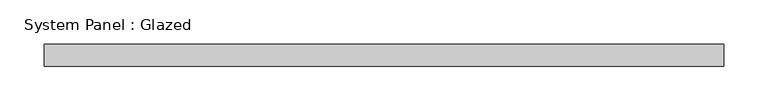
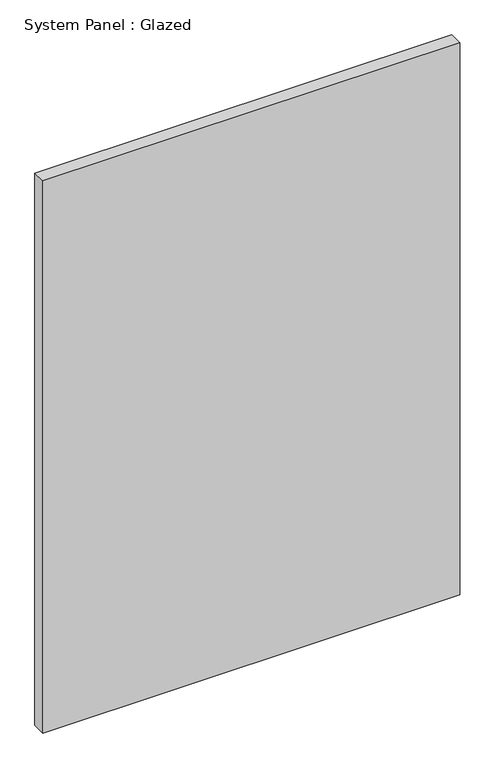
"""IFC4 building model written with IfcOpenShell, lengths in millimetres: plate geometry, System Panel : Glazed."""

from ifc_helpers import new_model, si_unit, origin, origin_with_axes, place, context, project, spatial, polyline, outline, extrude, source, transform, mapped, element, save


def system_panel_glazed_29947185(model_context):
    return source(origin(), model_context, "Body", "SweptSolid", [
        extrude(outline(polyline([(385.738147, -12.7), (-385.738147, -12.7), (-385.738147, 12.7), (385.738147, 12.7), (385.738147, -12.7)])), origin_with_axes(), (0.0, 0.0, 1.0), 1080.0),
    ])


if __name__ == "__main__":
    model = new_model("IFC4")
    model_context = context("Model", 3, world=origin())
    ifc_project = project(units=[si_unit("LENGTHUNIT", "METRE", prefix="MILLI")], contexts=[model_context])
    site = spatial("IfcSite", under=ifc_project)
    building = spatial("IfcBuilding", under=site)
    placement = place(None, origin())
    system_panel_glazed_shape = system_panel_glazed_29947185(model_context)
    element("IfcPlate", 1, ObjectType="System Panel : Glazed", at=placement, inside=building, context=model_context, shape_type="MappedRepresentation", body=[
        mapped(system_panel_glazed_shape, transform((0.0, 0.0, 0.0), x_axis=(1.0, 0.0, 0.0), y_axis=(0.0, 1.0, 0.0), z_axis=(0.0, 0.0, 1.0))),
    ])
    save(model, "model.ifc")
